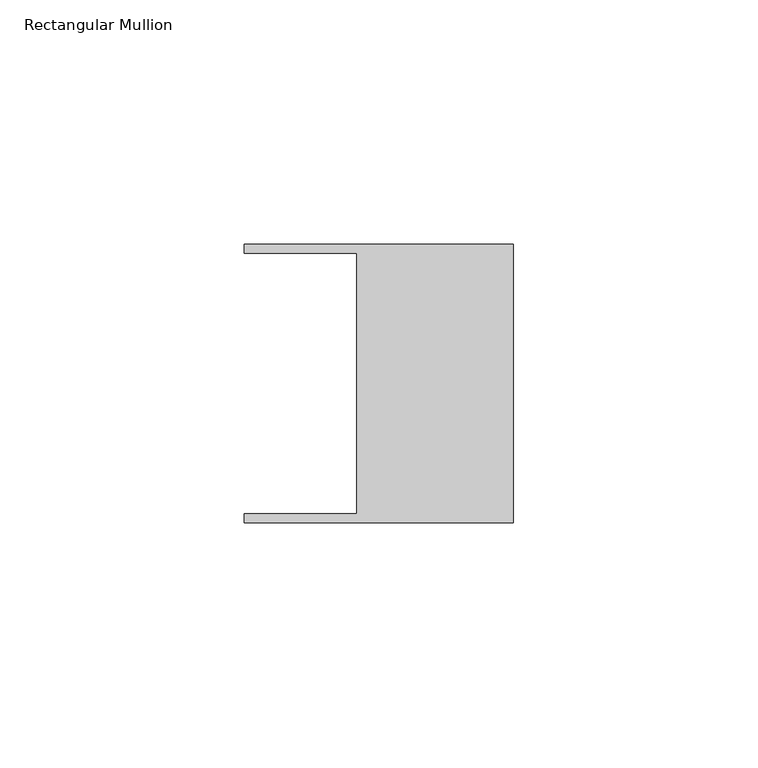
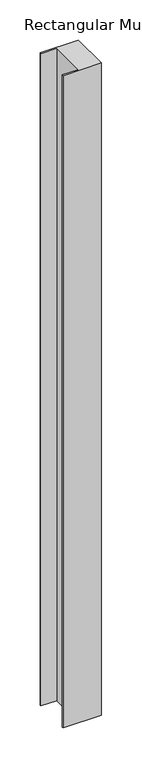
"""IFC4 building model written with IfcOpenShell, lengths in millimetres: member geometry, Rectangular Mullion."""

from ifc_helpers import new_model, si_unit, frame, origin, place, context, project, spatial, polyline, outline, extrude, source, transform, mapped, element, save


def rectangular_mullion_43f57192(model_context):
    return source(origin(), model_context, "Body", "SweptSolid", [
        extrude(outline(polyline([(-32.004, -26.67), (-32.004, 26.67), (-54.991, 26.67), (-54.991, 28.448), (0.0, 28.448), (0.0, -28.448), (-54.991, -28.448), (-54.991, -26.67), (-32.004, -26.67)])), frame((0.0, 0.0, -990.5999976), z_axis=(0.0, 0.0, 1.0), x_axis=(1.0, 0.0, 0.0)), (0.0, 0.0, 1.0), 990.5999976),
    ])


if __name__ == "__main__":
    model = new_model("IFC4")
    model_context = context("Model", 3, world=origin())
    ifc_project = project(units=[si_unit("LENGTHUNIT", "METRE", prefix="MILLI")], contexts=[model_context])
    site = spatial("IfcSite", under=ifc_project)
    building = spatial("IfcBuilding", under=site)
    placement = place(None, origin())
    rectangular_mullion_shape = rectangular_mullion_43f57192(model_context)
    element("IfcMember", 1, ObjectType="Rectangular Mullion", at=placement, inside=building, context=model_context, shape_type="MappedRepresentation", body=[
        mapped(rectangular_mullion_shape, transform((0.0, 0.0, 0.0), x_axis=(1.0, 0.0, 0.0), y_axis=(0.0, 1.0, 0.0), z_axis=(0.0, 0.0, 1.0))),
    ])
    save(model, "model.ifc")
